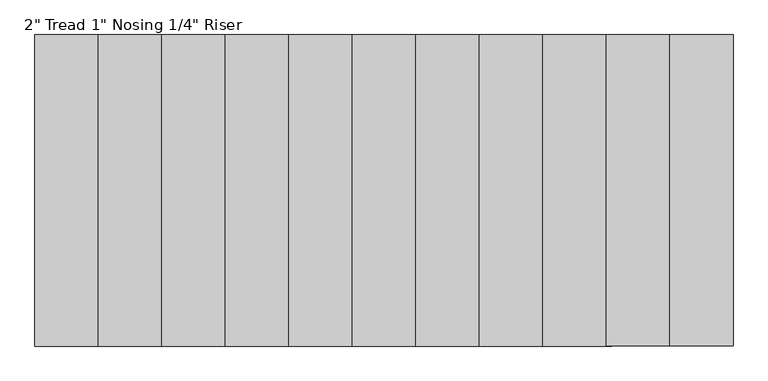
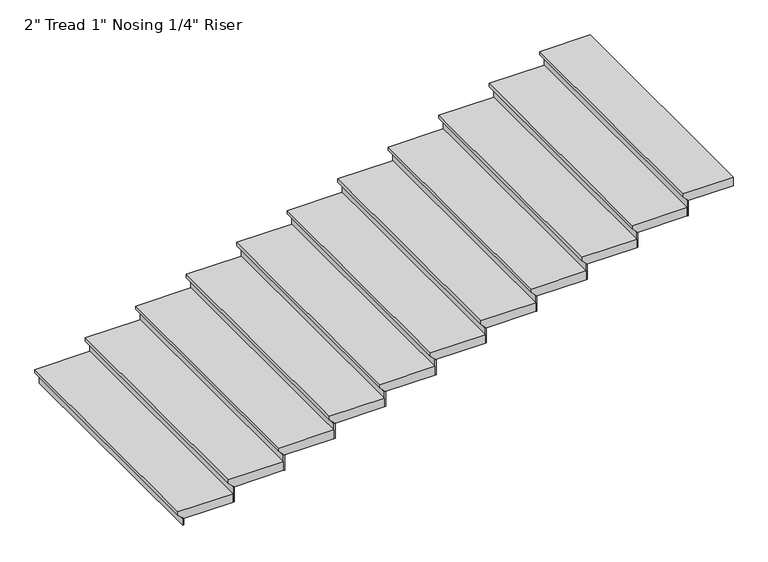
"""IFC4 building model written with IfcOpenShell, lengths in millimetres: stair flight geometry."""

from ifc_helpers import new_model, si_unit, frame, origin, origin_with_axes, place, context, project, spatial, polyline, outline, extrude, source, transform, mapped, element, save


def stair_flight_50fe786e(model_context):
    return source(origin(), model_context, "Body", "SweptSolid", [
        extrude(outline(polyline([(88.3478261, -514089.8106288), (88.3478261, -514394.6106288), (69.2978261, -514394.6106288), (43.8978261, -514369.2106288), (37.5478261, -514369.2106288), (37.5478261, -514089.8106288), (88.3478261, -514089.8106288)])), frame((0.0, -2776.0788899, 0.0), z_axis=(0.0, 1.0, 0.0), x_axis=(0.0, 0.0, 1.0)), (0.0, 0.0, 1.0), 1371.6),
        extrude(outline(polyline([(-514362.8606288, -2776.0788899), (-514369.2106288, -2776.0788899), (-514369.2106288, -1404.4788899), (-514362.8606288, -1404.4788899), (-514362.8606288, -2776.0788899)])), origin_with_axes(), (0.0, 0.0, 1.0), 37.5478261),
        extrude(outline(polyline([(-514083.4606288, -2776.0788899), (-514089.8106288, -2776.0788899), (-514089.8106288, -1404.4788899), (-514083.4606288, -1404.4788899), (-514083.4606288, -2776.0788899)])), frame((0.0, 0.0, 37.5478261), z_axis=(0.0, 0.0, 1.0), x_axis=(1.0, 0.0, 0.0)), (0.0, 0.0, 1.0), 88.3478261),
        extrude(outline(polyline([(176.6956522, -513810.4106288), (176.6956522, -514115.2106288), (157.6456522, -514115.2106288), (132.2456522, -514089.8106288), (125.8956522, -514089.8106288), (125.8956522, -513810.4106288), (176.6956522, -513810.4106288)])), frame((0.0, -2776.0788899, 0.0), z_axis=(0.0, 1.0, 0.0), x_axis=(0.0, 0.0, 1.0)), (0.0, 0.0, 1.0), 1371.6),
        extrude(outline(polyline([(-513804.0606288, -2776.0788899), (-513810.4106288, -2776.0788899), (-513810.4106288, -1404.4788899), (-513804.0606288, -1404.4788899), (-513804.0606288, -2776.0788899)])), frame((0.0, 0.0, 125.8956522), z_axis=(0.0, 0.0, 1.0), x_axis=(1.0, 0.0, 0.0)), (0.0, 0.0, 1.0), 88.3478261),
        extrude(outline(polyline([(265.0434783, -513531.0106288), (265.0434783, -513835.8106288), (245.9934783, -513835.8106288), (220.5934783, -513810.4106288), (214.2434783, -513810.4106288), (214.2434783, -513531.0106288), (265.0434783, -513531.0106288)])), frame((0.0, -2776.0788899, 0.0), z_axis=(0.0, 1.0, 0.0), x_axis=(0.0, 0.0, 1.0)), (0.0, 0.0, 1.0), 1371.6),
        extrude(outline(polyline([(-513524.6606288, -2776.0788899), (-513531.0106288, -2776.0788899), (-513531.0106288, -1404.4788899), (-513524.6606288, -1404.4788899), (-513524.6606288, -2776.0788899)])), frame((0.0, 0.0, 214.2434783), z_axis=(0.0, 0.0, 1.0), x_axis=(1.0, 0.0, 0.0)), (0.0, 0.0, 1.0), 88.3478261),
        extrude(outline(polyline([(353.3913043, -513251.6106288), (353.3913043, -513556.4106288), (334.3413043, -513556.4106288), (308.9413043, -513531.0106288), (302.5913043, -513531.0106288), (302.5913043, -513251.6106288), (353.3913043, -513251.6106288)])), frame((0.0, -2776.0788899, 0.0), z_axis=(0.0, 1.0, 0.0), x_axis=(0.0, 0.0, 1.0)), (0.0, 0.0, 1.0), 1371.6),
        extrude(outline(polyline([(-513245.2606288, -2776.0788899), (-513251.6106288, -2776.0788899), (-513251.6106288, -1404.4788899), (-513245.2606288, -1404.4788899), (-513245.2606288, -2776.0788899)])), frame((0.0, 0.0, 302.5913043), z_axis=(0.0, 0.0, 1.0), x_axis=(1.0, 0.0, 0.0)), (0.0, 0.0, 1.0), 88.3478261),
        extrude(outline(polyline([(441.7391304, -512972.2106288), (441.7391304, -513277.0106288), (422.6891304, -513277.0106288), (397.2891304, -513251.6106288), (390.9391304, -513251.6106288), (390.9391304, -512972.2106288), (441.7391304, -512972.2106288)])), frame((0.0, -2776.0788899, 0.0), z_axis=(0.0, 1.0, 0.0), x_axis=(0.0, 0.0, 1.0)), (0.0, 0.0, 1.0), 1371.6),
        extrude(outline(polyline([(-512965.8606288, -2776.0788899), (-512972.2106288, -2776.0788899), (-512972.2106288, -1404.4788899), (-512965.8606288, -1404.4788899), (-512965.8606288, -2776.0788899)])), frame((0.0, 0.0, 390.9391304), z_axis=(0.0, 0.0, 1.0), x_axis=(1.0, 0.0, 0.0)), (0.0, 0.0, 1.0), 88.3478261),
        extrude(outline(polyline([(530.0869565, -512692.8106288), (530.0869565, -512997.6106288), (511.0369565, -512997.6106288), (485.6369565, -512972.2106288), (479.2869565, -512972.2106288), (479.2869565, -512692.8106288), (530.0869565, -512692.8106288)])), frame((0.0, -2776.0788899, 0.0), z_axis=(0.0, 1.0, 0.0), x_axis=(0.0, 0.0, 1.0)), (0.0, 0.0, 1.0), 1371.6),
        extrude(outline(polyline([(-512686.4606288, -2776.0788899), (-512692.8106288, -2776.0788899), (-512692.8106288, -1404.4788899), (-512686.4606288, -1404.4788899), (-512686.4606288, -2776.0788899)])), frame((0.0, 0.0, 479.2869565), z_axis=(0.0, 0.0, 1.0), x_axis=(1.0, 0.0, 0.0)), (0.0, 0.0, 1.0), 88.3478261),
        extrude(outline(polyline([(618.4347826, -512413.4106288), (618.4347826, -512718.2106288), (599.3847826, -512718.2106288), (573.9847826, -512692.8106288), (567.6347826, -512692.8106288), (567.6347826, -512413.4106288), (618.4347826, -512413.4106288)])), frame((0.0, -2776.0788899, 0.0), z_axis=(0.0, 1.0, 0.0), x_axis=(0.0, 0.0, 1.0)), (0.0, 0.0, 1.0), 1371.6),
        extrude(outline(polyline([(-512407.0606288, -2776.0788899), (-512413.4106288, -2776.0788899), (-512413.4106288, -1404.4788899), (-512407.0606288, -1404.4788899), (-512407.0606288, -2776.0788899)])), frame((0.0, 0.0, 567.6347826), z_axis=(0.0, 0.0, 1.0), x_axis=(1.0, 0.0, 0.0)), (0.0, 0.0, 1.0), 88.3478261),
        extrude(outline(polyline([(706.7826087, -512134.0106288), (706.7826087, -512438.8106288), (687.7326087, -512438.8106288), (662.3326087, -512413.4106288), (655.9826087, -512413.4106288), (655.9826087, -512134.0106288), (706.7826087, -512134.0106288)])), frame((0.0, -2776.0788899, 0.0), z_axis=(0.0, 1.0, 0.0), x_axis=(0.0, 0.0, 1.0)), (0.0, 0.0, 1.0), 1371.6),
        extrude(outline(polyline([(-512127.6606288, -2776.0788899), (-512134.0106288, -2776.0788899), (-512134.0106288, -1404.4788899), (-512127.6606288, -1404.4788899), (-512127.6606288, -2776.0788899)])), frame((0.0, 0.0, 655.9826087), z_axis=(0.0, 0.0, 1.0), x_axis=(1.0, 0.0, 0.0)), (0.0, 0.0, 1.0), 88.3478261),
        extrude(outline(polyline([(795.1304348, -511854.6106288), (795.1304348, -512159.4106288), (776.0804348, -512159.4106288), (750.6804348, -512134.0106288), (744.3304348, -512134.0106288), (744.3304348, -511854.6106288), (795.1304348, -511854.6106288)])), frame((0.0, -2776.0788899, 0.0), z_axis=(0.0, 1.0, 0.0), x_axis=(0.0, 0.0, 1.0)), (0.0, 0.0, 1.0), 1371.6),
        extrude(outline(polyline([(-511848.2606288, -2776.0788899), (-511854.6106288, -2776.0788899), (-511854.6106288, -1404.4788899), (-511848.2606288, -1404.4788899), (-511848.2606288, -2776.0788899)])), frame((0.0, 0.0, 744.3304348), z_axis=(0.0, 0.0, 1.0), x_axis=(1.0, 0.0, 0.0)), (0.0, 0.0, 1.0), 88.3478261),
        extrude(outline(polyline([(883.4782609, -511575.2106288), (883.4782609, -511880.0106288), (864.4282609, -511880.0106288), (839.0282609, -511854.6106288), (832.6782609, -511854.6106288), (832.6782609, -511575.2106288), (883.4782609, -511575.2106288)])), frame((0.0, -2776.0788899, 0.0), z_axis=(0.0, 1.0, 0.0), x_axis=(0.0, 0.0, 1.0)), (0.0, 0.0, 1.0), 1371.6),
        extrude(outline(polyline([(-511568.8606288, -2776.0788899), (-511575.2106288, -2776.0788899), (-511575.2106288, -1404.4788899), (-511568.8606288, -1404.4788899), (-511568.8606288, -2776.0788899)])), frame((0.0, 0.0, 832.6782609), z_axis=(0.0, 0.0, 1.0), x_axis=(1.0, 0.0, 0.0)), (0.0, 0.0, 1.0), 88.3478261),
        extrude(outline(polyline([(971.826087, -511321.2106288), (971.826087, -511600.6106288), (952.776087, -511600.6106288), (927.376087, -511575.2106288), (921.026087, -511575.2106288), (921.026087, -511321.2106288), (971.826087, -511321.2106288)])), frame((0.0, -2776.0788899, 0.0), z_axis=(0.0, 1.0, 0.0), x_axis=(0.0, 0.0, 1.0)), (0.0, 0.0, 1.0), 1371.6),
    ])


if __name__ == "__main__":
    model = new_model("IFC4")
    model_context = context("Model", 3, world=origin())
    ifc_project = project(units=[si_unit("LENGTHUNIT", "METRE", prefix="MILLI")], contexts=[model_context])
    site = spatial("IfcSite", under=ifc_project)
    building = spatial("IfcBuilding", under=site)
    placement = place(None, origin())
    stair_flight_shape = stair_flight_50fe786e(model_context)
    element("IfcStairFlight", 1, ObjectType="2\" Tread 1\" Nosing 1/4\" Riser", at=placement, inside=building, context=model_context, shape_type="MappedRepresentation", body=[
        mapped(stair_flight_shape, transform((0.0, 0.0, 0.0), x_axis=(1.0, 0.0, 0.0), y_axis=(0.0, 1.0, 0.0), z_axis=(0.0, 0.0, 1.0))),
    ])
    save(model, "model.ifc")
